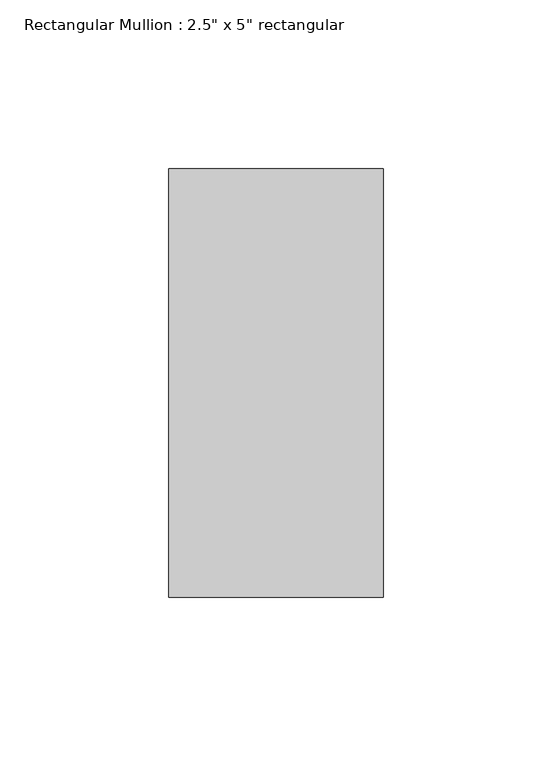
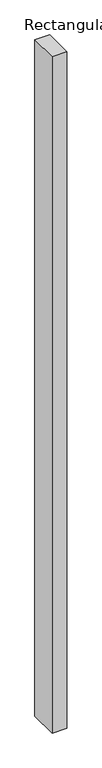
"""IFC4 building model written with IfcOpenShell, lengths in millimetres: member geometry."""

from ifc_helpers import new_model, si_unit, frame, origin, place, context, project, spatial, polyline, outline, extrude, source, transform, mapped, element, save


def member_3f395ae9(model_context):
    return source(origin(), model_context, "Body", "SweptSolid", [
        extrude(outline(polyline([(0.0, 63.5), (0.0, -63.5), (-63.5, -63.5), (-63.5, 63.5), (0.0, 63.5)])), frame((0.0, 0.0, -3048.0), z_axis=(0.0, 0.0, 1.0), x_axis=(1.0, 0.0, 0.0)), (0.0, 0.0, 1.0), 3048.0),
    ])


if __name__ == "__main__":
    model = new_model("IFC4")
    model_context = context("Model", 3, world=origin())
    ifc_project = project(units=[si_unit("LENGTHUNIT", "METRE", prefix="MILLI")], contexts=[model_context])
    site = spatial("IfcSite", under=ifc_project)
    building = spatial("IfcBuilding", under=site)
    placement = place(None, origin())
    member_shape = member_3f395ae9(model_context)
    element("IfcMember", 1, ObjectType="Rectangular Mullion : 2.5\" x 5\" rectangular", at=placement, inside=building, context=model_context, shape_type="MappedRepresentation", body=[
        mapped(member_shape, transform((0.0, 0.0, 0.0), x_axis=(1.0, 0.0, 0.0), y_axis=(0.0, 1.0, 0.0), z_axis=(0.0, 0.0, 1.0))),
    ])
    save(model, "model.ifc")
